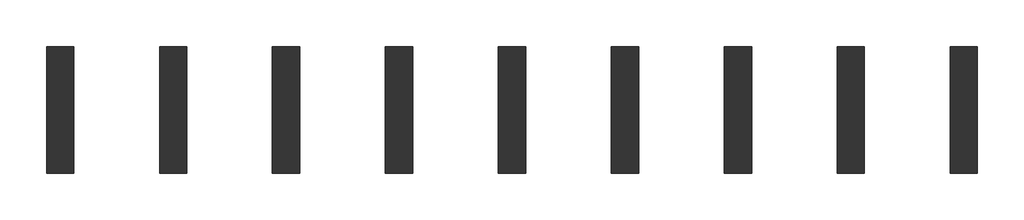
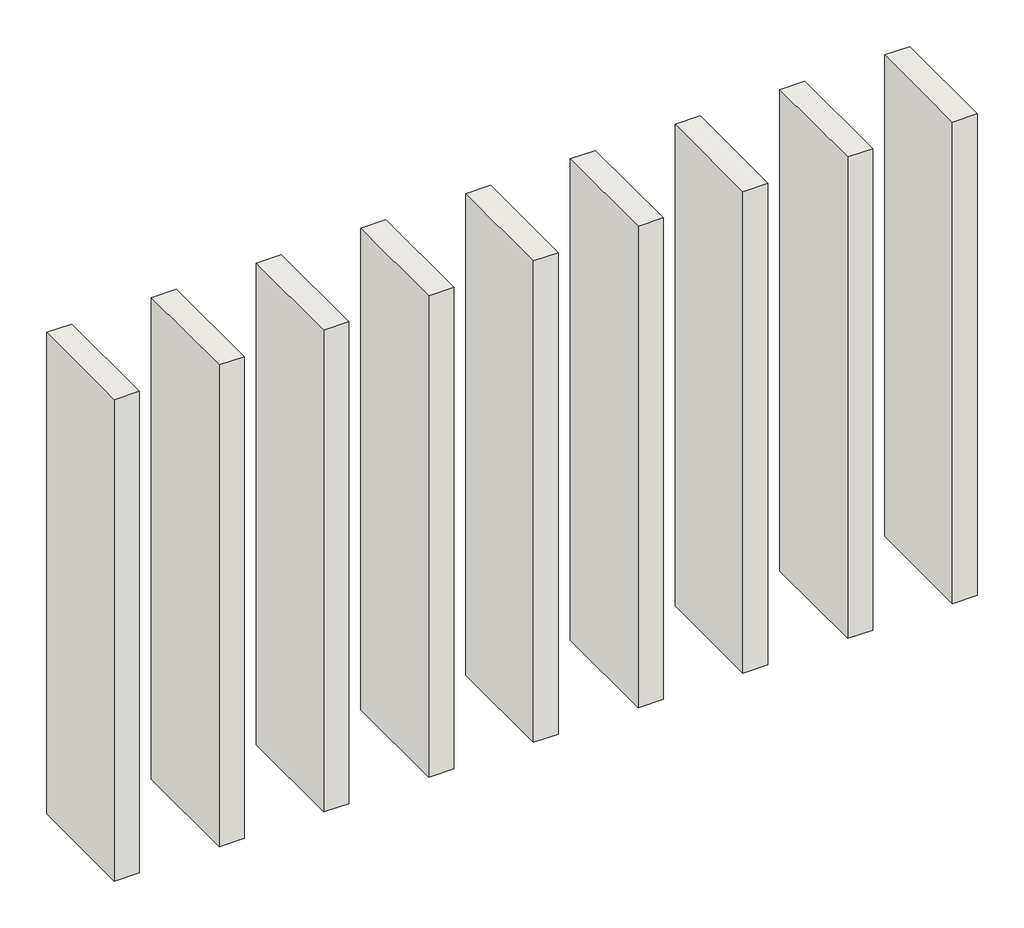
# One storey: 9 walls.
"""IFC4 building model written with IfcOpenShell, lengths in millimetres."""

from ifc_helpers import new_model, si_unit, origin, origin_with_axes, place, context, project, spatial, polyline, outline, extrude, element, save

model = new_model("IFC4")

# Units and contexts
model_context = context("Model", 3, world=origin())
ifc_project = project(units=[si_unit("LENGTHUNIT", "METRE", prefix="MILLI")], contexts=[model_context])

# Site, building, storey
site = spatial("IfcSite", under=ifc_project)
building = spatial("IfcBuilding", under=site)
storey = spatial("IfcBuildingStorey", under=building, Elevation=0.0)

# Walls
placement = place(None, origin())
element("IfcWall", 1, at=placement, inside=storey, context=model_context, shape_type="SweptSolid", body=[
    extrude(outline(polyline([(39638.9279386, 5439.6392009), (39638.9279386, 4879.6392009), (39518.9279386, 4879.6392009), (39518.9279386, 5439.6392009), (39638.9279386, 5439.6392009)])), origin_with_axes(), (0.0, 0.0, 1.0), 2430.0),
])
element("IfcWall", 2, at=placement, inside=storey, context=model_context, shape_type="SweptSolid", body=[
    extrude(outline(polyline([(40138.9279386, 5439.6392009), (40138.9279386, 4879.6392009), (40018.9279386, 4879.6392009), (40018.9279386, 5439.6392009), (40138.9279386, 5439.6392009)])), origin_with_axes(), (0.0, 0.0, 1.0), 2430.0),
])
element("IfcWall", 3, at=placement, inside=storey, context=model_context, shape_type="SweptSolid", body=[
    extrude(outline(polyline([(40638.9279386, 5439.6392009), (40638.9279386, 4879.6392009), (40518.9279386, 4879.6392009), (40518.9279386, 5439.6392009), (40638.9279386, 5439.6392009)])), origin_with_axes(), (0.0, 0.0, 1.0), 2430.0),
])
element("IfcWall", 4, at=placement, inside=storey, context=model_context, shape_type="SweptSolid", body=[
    extrude(outline(polyline([(41138.9279386, 5439.6392009), (41138.9279386, 4879.6392009), (41018.9279386, 4879.6392009), (41018.9279386, 5439.6392009), (41138.9279386, 5439.6392009)])), origin_with_axes(), (0.0, 0.0, 1.0), 2430.0),
])
element("IfcWall", 5, at=placement, inside=storey, context=model_context, shape_type="SweptSolid", body=[
    extrude(outline(polyline([(41638.9279386, 5439.6392009), (41638.9279386, 4879.6392009), (41518.9279386, 4879.6392009), (41518.9279386, 5439.6392009), (41638.9279386, 5439.6392009)])), origin_with_axes(), (0.0, 0.0, 1.0), 2430.0),
])
element("IfcWall", 6, at=placement, inside=storey, context=model_context, shape_type="SweptSolid", body=[
    extrude(outline(polyline([(42138.9279386, 5439.6392009), (42138.9279386, 4879.6392009), (42018.9279386, 4879.6392009), (42018.9279386, 5439.6392009), (42138.9279386, 5439.6392009)])), origin_with_axes(), (0.0, 0.0, 1.0), 2430.0),
])
element("IfcWall", 7, at=placement, inside=storey, context=model_context, shape_type="SweptSolid", body=[
    extrude(outline(polyline([(42638.9279386, 5439.6392009), (42638.9279386, 4879.6392009), (42518.9279386, 4879.6392009), (42518.9279386, 5439.6392009), (42638.9279386, 5439.6392009)])), origin_with_axes(), (0.0, 0.0, 1.0), 2430.0),
])
element("IfcWall", 8, at=placement, inside=storey, context=model_context, shape_type="SweptSolid", body=[
    extrude(outline(polyline([(43138.9279386, 5439.6392009), (43138.9279386, 4879.6392009), (43018.9279386, 4879.6392009), (43018.9279386, 5439.6392009), (43138.9279386, 5439.6392009)])), origin_with_axes(), (0.0, 0.0, 1.0), 2430.0),
])
element("IfcWall", 9, at=placement, inside=storey, context=model_context, shape_type="SweptSolid", body=[
    extrude(outline(polyline([(43638.9279386, 5439.6392009), (43638.9279386, 4879.6392009), (43518.9279386, 4879.6392009), (43518.9279386, 5439.6392009), (43638.9279386, 5439.6392009)])), origin_with_axes(), (0.0, 0.0, 1.0), 2430.0),
])

save(model, "model.ifc")
